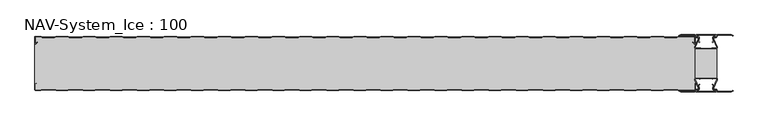
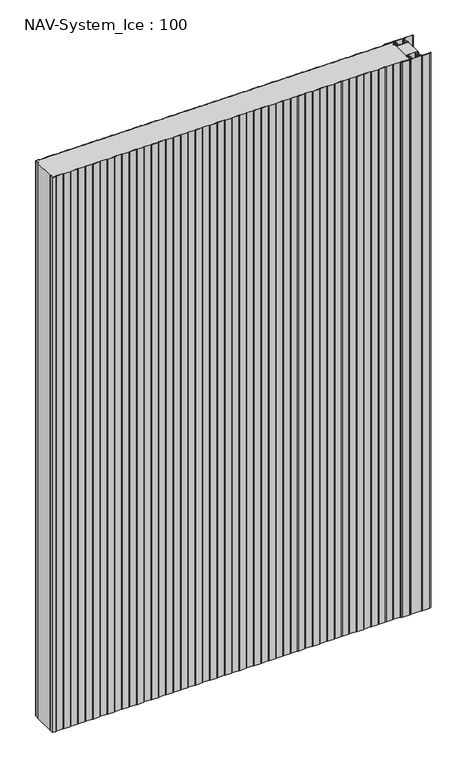
"""IFC4 building model written with IfcOpenShell, lengths in millimetres: plate geometry, NAV-System_Ice : 100."""

from ifc_helpers import new_model, si_unit, point, frame_2d, origin, origin_with_axes, place, context, project, spatial, polyline, circle_curve, trimmed, segment, composite_curve, outline, extrude, source, transform, mapped, element, save


def nav_system_ice_100_1bfda8f6(model_context):
    return source(origin(), model_context, "Body", "SweptSolid", [
        extrude(outline(polyline([(630.0, -76.9693935), (590.0, -76.9693935), (590.0, -23.0306065), (630.0, -23.0306065), (630.0, -76.9693935)])), origin_with_axes(), (0.0, 0.0, 1.0), 2000.0),
        extrude(outline(composite_curve([segment(trimmed(circle_curve(frame_2d((599.1138734, -91.8417863)), 3.357884), [point((596.1169606, -93.3563483))], [point((597.7243711, -88.7848813))], False, "CARTESIAN"), True, "CONTINUOUS"), segment(polyline([(597.7243711, -88.7848813), (598.0554135, -89.5131744)]), True, "CONTINUOUS"), segment(trimmed(circle_curve(frame_2d((599.1138734, -91.8417863)), 2.557884), [point((598.0554135, -89.5131744))], [point((596.8448746, -93.0226397))], True, "CARTESIAN"), True, "CONTINUOUS"), segment(polyline([(596.8448746, -93.0226397), (597.7376807, -95.2182139)]), True, "CONTINUOUS"), segment(trimmed(circle_curve(frame_2d((593.7962884, -96.3456266)), 4.0994674), [point((597.7376807, -95.2182139))], [point((593.7866434, -100.4450826))], False, "CARTESIAN"), True, "CONTINUOUS"), segment(polyline([(593.7866434, -100.4450826), (592.2194901, -100.4092333)]), True, "CONTINUOUS"), segment(trimmed(circle_curve(frame_2d((592.2592624, -101.3027113)), 0.8943628), [point((592.2194901, -100.4092333))], [point((592.2592624, -102.1970741))], True, "CARTESIAN"), True, "CONTINUOUS"), segment(polyline([(592.2592624, -102.1970741), (627.7407376, -102.1970741)]), True, "CONTINUOUS"), segment(trimmed(circle_curve(frame_2d((627.7407376, -101.3027113)), 0.8943628), [point((627.7407376, -102.1970741))], [point((627.7805099, -100.4092333))], True, "CARTESIAN"), True, "CONTINUOUS"), segment(polyline([(627.7805099, -100.4092333), (626.2133566, -100.4450826)]), True, "CONTINUOUS"), segment(trimmed(circle_curve(frame_2d((626.2037116, -96.3456266)), 4.0994674), [point((626.2133566, -100.4450826))], [point((622.2623193, -95.2182139))], False, "CARTESIAN"), True, "CONTINUOUS"), segment(polyline([(622.2623193, -95.2182139), (623.1551254, -93.0226397)]), True, "CONTINUOUS"), segment(trimmed(circle_curve(frame_2d((620.8861266, -91.8417863)), 2.557884), [point((623.1551254, -93.0226397))], [point((621.9445865, -89.5131744))], True, "CARTESIAN"), True, "CONTINUOUS"), segment(polyline([(621.9445865, -89.5131744), (622.2756289, -88.7848813)]), True, "CONTINUOUS"), segment(trimmed(circle_curve(frame_2d((620.8861266, -91.8417863)), 3.357884), [point((622.2756289, -88.7848813))], [point((623.8830394, -93.3563483))], False, "CARTESIAN"), True, "CONTINUOUS"), segment(polyline([(623.8830394, -93.3563483), (623.0205049, -95.4774793)]), True, "CONTINUOUS"), segment(trimmed(circle_curve(frame_2d((626.2037116, -96.3456266)), 3.2994674), [point((623.0205049, -95.4774793))], [point((626.2037116, -99.645094))], True, "CARTESIAN"), True, "CONTINUOUS"), segment(polyline([(626.2037116, -99.645094), (627.7848884, -99.6089239)]), True, "CONTINUOUS"), segment(trimmed(circle_curve(frame_2d((627.7407376, -101.3027113)), 1.6943628), [point((627.7848884, -99.6089239))], [point((627.7407423, -102.9970741))], False, "CARTESIAN"), True, "CONTINUOUS"), segment(polyline([(627.7407423, -102.9970741), (592.2592577, -102.9970741)]), True, "CONTINUOUS"), segment(trimmed(circle_curve(frame_2d((592.2592624, -101.3027113)), 1.6943628), [point((592.2592577, -102.9970741))], [point((592.2151116, -99.6089239))], False, "CARTESIAN"), True, "CONTINUOUS"), segment(polyline([(592.2151116, -99.6089239), (593.7962884, -99.645094)]), True, "CONTINUOUS"), segment(trimmed(circle_curve(frame_2d((593.7962884, -96.3456266)), 3.2994674), [point((593.7962884, -99.645094))], [point((596.9794951, -95.4774793))], True, "CARTESIAN"), True, "CONTINUOUS"), segment(polyline([(596.9794951, -95.4774793), (596.1169606, -93.3563483)]), True, "CONTINUOUS")], self_intersect=False)), origin_with_axes(), (0.0, 0.0, 1.0), 2000.0),
        extrude(outline(composite_curve([segment(polyline([(596.1169606, -6.6436517), (596.9794951, -4.5225207)]), True, "CONTINUOUS"), segment(trimmed(circle_curve(frame_2d((593.7962884, -3.6543734)), 3.2994674), [point((596.9794951, -4.5225207))], [point((593.7962884, -0.354906))], True, "CARTESIAN"), True, "CONTINUOUS"), segment(polyline([(593.7962884, -0.354906), (592.2151116, -0.3910761)]), True, "CONTINUOUS"), segment(trimmed(circle_curve(frame_2d((592.2592624, 1.3027113)), 1.6943628), [point((592.2151116, -0.3910761))], [point((592.2592577, 2.9970741))], False, "CARTESIAN"), True, "CONTINUOUS"), segment(polyline([(592.2592577, 2.9970741), (627.7407423, 2.9970741)]), True, "CONTINUOUS"), segment(trimmed(circle_curve(frame_2d((627.7407376, 1.3027113)), 1.6943628), [point((627.7407423, 2.9970741))], [point((627.7848884, -0.3910761))], False, "CARTESIAN"), True, "CONTINUOUS"), segment(polyline([(627.7848884, -0.3910761), (626.2037116, -0.354906)]), True, "CONTINUOUS"), segment(trimmed(circle_curve(frame_2d((626.2037116, -3.6543734)), 3.2994674), [point((626.2037116, -0.354906))], [point((623.0205049, -4.5225207))], True, "CARTESIAN"), True, "CONTINUOUS"), segment(polyline([(623.0205049, -4.5225207), (623.8830394, -6.6436517)]), True, "CONTINUOUS"), segment(trimmed(circle_curve(frame_2d((620.8861266, -8.1582137)), 3.357884), [point((623.8830394, -6.6436517))], [point((622.2756289, -11.2151187))], False, "CARTESIAN"), True, "CONTINUOUS"), segment(polyline([(622.2756289, -11.2151187), (621.9445865, -10.4868256)]), True, "CONTINUOUS"), segment(trimmed(circle_curve(frame_2d((620.8861266, -8.1582137)), 2.557884), [point((621.9445865, -10.4868256))], [point((623.1551254, -6.9773603))], True, "CARTESIAN"), True, "CONTINUOUS"), segment(polyline([(623.1551254, -6.9773603), (622.2623193, -4.7817861)]), True, "CONTINUOUS"), segment(trimmed(circle_curve(frame_2d((626.2037116, -3.6543734)), 4.0994674), [point((622.2623193, -4.7817861))], [point((626.2133566, 0.4450826))], False, "CARTESIAN"), True, "CONTINUOUS"), segment(polyline([(626.2133566, 0.4450826), (627.7805099, 0.4092333)]), True, "CONTINUOUS"), segment(trimmed(circle_curve(frame_2d((627.7407376, 1.3027113)), 0.8943628), [point((627.7805099, 0.4092333))], [point((627.7407376, 2.1970741))], True, "CARTESIAN"), True, "CONTINUOUS"), segment(polyline([(627.7407376, 2.1970741), (592.2592624, 2.1970741)]), True, "CONTINUOUS"), segment(trimmed(circle_curve(frame_2d((592.2592624, 1.3027113)), 0.8943628), [point((592.2592624, 2.1970741))], [point((592.2194901, 0.4092333))], True, "CARTESIAN"), True, "CONTINUOUS"), segment(polyline([(592.2194901, 0.4092333), (593.7866434, 0.4450826)]), True, "CONTINUOUS"), segment(trimmed(circle_curve(frame_2d((593.7962884, -3.6543734)), 4.0994674), [point((593.7866434, 0.4450826))], [point((597.7376807, -4.7817861))], False, "CARTESIAN"), True, "CONTINUOUS"), segment(polyline([(597.7376807, -4.7817861), (596.8448746, -6.9773603)]), True, "CONTINUOUS"), segment(trimmed(circle_curve(frame_2d((599.1138734, -8.1582137)), 2.557884), [point((596.8448746, -6.9773603))], [point((598.0554135, -10.4868256))], True, "CARTESIAN"), True, "CONTINUOUS"), segment(polyline([(598.0554135, -10.4868256), (597.7243711, -11.2151187)]), True, "CONTINUOUS"), segment(trimmed(circle_curve(frame_2d((599.1138734, -8.1582137)), 3.357884), [point((597.7243711, -11.2151187))], [point((596.1169606, -6.6436517))], False, "CARTESIAN"), True, "CONTINUOUS")], self_intersect=False)), origin_with_axes(), (0.0, 0.0, 1.0), 2000.0),
        extrude(outline(composite_curve([segment(trimmed(circle_curve(frame_2d((591.9446371, -79.7746821)), 1.80576), [point((591.9446371, -77.9689221))], [point((590.2170288, -80.300171))], True, "CARTESIAN"), True, "CONTINUOUS"), segment(polyline([(590.2170288, -80.300171), (596.4690067, -94.9459892)]), True, "CONTINUOUS"), segment(trimmed(circle_curve(frame_2d((593.7254406, -95.9868127)), 2.93436), [point((596.4690067, -94.9459892))], [point((593.7254406, -98.9211727))], False, "CARTESIAN"), True, "CONTINUOUS"), segment(polyline([(593.7254406, -98.9211727), (592.1347887, -98.9211727)]), True, "CONTINUOUS"), segment(trimmed(circle_curve(frame_2d((592.1347887, -100.5012127)), 1.58004), [point((592.1347887, -98.9211727))], [point((590.931072, -99.4776931))], True, "CARTESIAN"), True, "CONTINUOUS"), segment(polyline([(590.931072, -99.4776931), (589.0191946, -103.0112573), (562.9417977, -103.0112573), (560.0, -101.2043676), (560.523373, -100.3522639), (563.2243806, -102.0112573), (588.4232658, -102.0112573), (590.0952671, -98.9210361)]), True, "CONTINUOUS"), segment(trimmed(circle_curve(frame_2d((592.1347887, -100.5012127)), 2.58004), [point((590.0952671, -98.9210361))], [point((592.1347887, -97.9211727))], False, "CARTESIAN"), True, "CONTINUOUS"), segment(polyline([(592.1347887, -97.9211727), (593.7254406, -97.9211727)]), True, "CONTINUOUS"), segment(trimmed(circle_curve(frame_2d((593.7254406, -95.9868127)), 1.93436), [point((593.7254406, -97.9211727))], [point((595.5404425, -95.3178459))], True, "CARTESIAN"), True, "CONTINUOUS"), segment(polyline([(595.5404425, -95.3178459), (589.2784311, -80.6484726)]), True, "CONTINUOUS"), segment(trimmed(circle_curve(frame_2d((591.9446225, -79.7747413)), 2.8057055), [point((589.2784311, -80.6484726))], [point((591.9446225, -76.9690357))], False, "CARTESIAN"), True, "CONTINUOUS"), segment(polyline([(591.9446225, -76.9690357), (595.755568, -76.9690357)]), True, "CONTINUOUS"), segment(trimmed(circle_curve(frame_2d((595.7555679, -79.0975873)), 2.1285516), [point((595.755568, -76.9690357))], [point((597.1042828, -77.4508633))], False, "CARTESIAN"), True, "CONTINUOUS"), segment(trimmed(circle_curve(frame_2d((598.2552034, -76.0456377)), 1.8163913), [point((597.1042828, -77.4508633))], [point((599.4059468, -77.4510085))], True, "CARTESIAN"), True, "CONTINUOUS"), segment(trimmed(circle_curve(frame_2d((600.7543352, -79.0977575)), 2.128364), [point((599.4059468, -77.4510085))], [point((600.7543352, -76.9693935))], False, "CARTESIAN"), True, "CONTINUOUS"), segment(polyline([(600.7543352, -76.9693935), (619.2454674, -76.9693935)]), True, "CONTINUOUS"), segment(trimmed(circle_curve(frame_2d((619.2454674, -79.0977884)), 2.1283949), [point((619.2454674, -76.9693935))], [point((620.594293, -77.4513576))], False, "CARTESIAN"), True, "CONTINUOUS"), segment(trimmed(circle_curve(frame_2d((621.7456338, -76.0459847)), 1.8167715), [point((620.594293, -77.4513576))], [point((622.8963798, -77.4518446))], True, "CARTESIAN"), True, "CONTINUOUS"), segment(trimmed(circle_curve(frame_2d((624.244105, -79.0983528)), 2.1277576), [point((622.8963798, -77.4518446))], [point((624.244105, -76.9705952))], False, "CARTESIAN"), True, "CONTINUOUS"), segment(polyline([(624.244105, -76.9705952), (628.0535675, -76.9705952)]), True, "CONTINUOUS"), segment(trimmed(circle_curve(frame_2d((628.0535675, -79.7787791)), 2.8081839), [point((628.0535675, -76.9705952))], [point((630.7287795, -80.6326746))], False, "CARTESIAN"), True, "CONTINUOUS"), segment(polyline([(630.7287795, -80.6326746), (624.4595575, -95.3178459)]), True, "CONTINUOUS"), segment(trimmed(circle_curve(frame_2d((626.2745595, -95.9868127)), 1.93436), [point((624.4595575, -95.3178459))], [point((626.2745595, -97.9211727))], True, "CARTESIAN"), True, "CONTINUOUS"), segment(polyline([(626.2745595, -97.9211727), (627.8652113, -97.9211727)]), True, "CONTINUOUS"), segment(trimmed(circle_curve(frame_2d((627.8652113, -100.5012127)), 2.58004), [point((627.8652113, -97.9211727))], [point((629.9047329, -98.9210361))], False, "CARTESIAN"), True, "CONTINUOUS"), segment(polyline([(629.9047329, -98.9210361), (631.5767342, -102.0112573), (656.7756194, -102.0112573), (659.476627, -100.3522639), (660.0, -101.2043676), (657.0582024, -103.0112573), (630.9808054, -103.0112573), (629.068928, -99.4776931)]), True, "CONTINUOUS"), segment(trimmed(circle_curve(frame_2d((627.8652113, -100.5012127)), 1.58004), [point((629.068928, -99.4776931))], [point((627.8652113, -98.9211727))], True, "CARTESIAN"), True, "CONTINUOUS"), segment(polyline([(627.8652113, -98.9211727), (626.2745595, -98.9211727)]), True, "CONTINUOUS"), segment(trimmed(circle_curve(frame_2d((626.2745595, -95.9868127)), 2.93436), [point((626.2745595, -98.9211727))], [point((623.5309933, -94.9459892))], False, "CARTESIAN"), True, "CONTINUOUS"), segment(polyline([(623.5309933, -94.9459892), (629.7829713, -80.300171)]), True, "CONTINUOUS"), segment(trimmed(circle_curve(frame_2d((628.0553629, -79.7746822)), 1.80576), [point((629.7829713, -80.300171))], [point((628.0553629, -77.9689222))], True, "CARTESIAN"), True, "CONTINUOUS"), segment(polyline([(628.0553629, -77.9689222), (623.5184731, -77.9689222)]), True, "CONTINUOUS"), segment(trimmed(circle_curve(frame_2d((621.7449981, -76.0455076)), 2.6162449), [point((623.5184731, -77.9689222))], [point((619.7766029, -77.7689222))], False, "CARTESIAN"), True, "CONTINUOUS"), segment(polyline([(619.7766029, -77.7689222), (600.2233971, -77.7689222)]), True, "CONTINUOUS"), segment(trimmed(circle_curve(frame_2d((598.255002, -76.0455076)), 2.6162449), [point((600.2233971, -77.7689222))], [point((596.4815269, -77.9689221))], False, "CARTESIAN"), True, "CONTINUOUS"), segment(polyline([(596.4815269, -77.9689221), (591.9446371, -77.9689221)]), True, "CONTINUOUS")], self_intersect=False)), origin_with_axes(), (0.0, 0.0, 1.0), 2000.0),
        extrude(outline(composite_curve([segment(polyline([(591.9446371, -22.0310778), (596.4815269, -22.0310778)]), True, "CONTINUOUS"), segment(trimmed(circle_curve(frame_2d((598.2550019, -23.9544924)), 2.6162449), [point((596.4815269, -22.0310778))], [point((600.2233971, -22.2310778))], False, "CARTESIAN"), True, "CONTINUOUS"), segment(polyline([(600.2233971, -22.2310778), (619.7766029, -22.2310778)]), True, "CONTINUOUS"), segment(trimmed(circle_curve(frame_2d((621.7449981, -23.9544924)), 2.6162449), [point((619.7766029, -22.2310778))], [point((623.5184731, -22.0310778))], False, "CARTESIAN"), True, "CONTINUOUS"), segment(polyline([(623.5184731, -22.0310778), (628.0553629, -22.0310778)]), True, "CONTINUOUS"), segment(trimmed(circle_curve(frame_2d((628.0553629, -20.2253178)), 1.80576), [point((628.0553629, -22.0310778))], [point((629.7829712, -19.699829))], True, "CARTESIAN"), True, "CONTINUOUS"), segment(polyline([(629.7829712, -19.699829), (623.5309933, -5.0540108)]), True, "CONTINUOUS"), segment(trimmed(circle_curve(frame_2d((626.2745594, -4.0131873)), 2.93436), [point((623.5309933, -5.0540108))], [point((626.2745594, -1.0788273))], False, "CARTESIAN"), True, "CONTINUOUS"), segment(polyline([(626.2745594, -1.0788273), (627.8652113, -1.0788273)]), True, "CONTINUOUS"), segment(trimmed(circle_curve(frame_2d((627.8652113, 0.5012127)), 1.58004), [point((627.8652113, -1.0788273))], [point((629.068928, -0.5223069))], True, "CARTESIAN"), True, "CONTINUOUS"), segment(polyline([(629.068928, -0.5223069), (630.9808054, 3.0112573), (657.0582023, 3.0112573), (660.0, 1.2043676), (659.476627, 0.3522639), (656.7756194, 2.0112573), (631.5767342, 2.0112573), (629.9047329, -1.0789639)]), True, "CONTINUOUS"), segment(trimmed(circle_curve(frame_2d((627.8652113, 0.5012127)), 2.58004), [point((629.9047329, -1.0789639))], [point((627.8652113, -2.0788273))], False, "CARTESIAN"), True, "CONTINUOUS"), segment(polyline([(627.8652113, -2.0788273), (626.2745594, -2.0788273)]), True, "CONTINUOUS"), segment(trimmed(circle_curve(frame_2d((626.2745594, -4.0131873)), 1.93436), [point((626.2745594, -2.0788273))], [point((624.4595575, -4.6821541))], True, "CARTESIAN"), True, "CONTINUOUS"), segment(polyline([(624.4595575, -4.6821541), (630.7287795, -19.3673254)]), True, "CONTINUOUS"), segment(trimmed(circle_curve(frame_2d((628.0535675, -20.2212209)), 2.8081839), [point((630.7287795, -19.3673254))], [point((628.0535675, -23.0294048))], False, "CARTESIAN"), True, "CONTINUOUS"), segment(polyline([(628.0535675, -23.0294048), (624.244105, -23.0294048)]), True, "CONTINUOUS"), segment(trimmed(circle_curve(frame_2d((624.244105, -20.9016472)), 2.1277576), [point((624.244105, -23.0294048))], [point((622.8963798, -22.5481554))], False, "CARTESIAN"), True, "CONTINUOUS"), segment(trimmed(circle_curve(frame_2d((621.7456337, -23.9540153)), 1.8167716), [point((622.8963798, -22.5481554))], [point((620.5942929, -22.5486423))], True, "CARTESIAN"), True, "CONTINUOUS"), segment(trimmed(circle_curve(frame_2d((619.2454674, -20.9022116)), 2.1283949), [point((620.5942929, -22.5486423))], [point((619.2454674, -23.0306065))], False, "CARTESIAN"), True, "CONTINUOUS"), segment(polyline([(619.2454674, -23.0306065), (600.7543352, -23.0306065)]), True, "CONTINUOUS"), segment(trimmed(circle_curve(frame_2d((600.7543352, -20.9022425)), 2.128364), [point((600.7543352, -23.0306065))], [point((599.4059468, -22.5489915))], False, "CARTESIAN"), True, "CONTINUOUS"), segment(trimmed(circle_curve(frame_2d((598.2552034, -23.9543623)), 1.8163912), [point((599.4059468, -22.5489915))], [point((597.1042828, -22.5491367))], True, "CARTESIAN"), True, "CONTINUOUS"), segment(trimmed(circle_curve(frame_2d((595.7555679, -20.9024127)), 2.1285516), [point((597.1042828, -22.5491367))], [point((595.7555679, -23.0309643))], False, "CARTESIAN"), True, "CONTINUOUS"), segment(polyline([(595.7555679, -23.0309643), (591.9446225, -23.0309643)]), True, "CONTINUOUS"), segment(trimmed(circle_curve(frame_2d((591.9446225, -20.2252587)), 2.8057055), [point((591.9446225, -23.0309643))], [point((589.2784311, -19.3515274))], False, "CARTESIAN"), True, "CONTINUOUS"), segment(polyline([(589.2784311, -19.3515274), (595.5404425, -4.6821541)]), True, "CONTINUOUS"), segment(trimmed(circle_curve(frame_2d((593.7254406, -4.0131873)), 1.93436), [point((595.5404425, -4.6821541))], [point((593.7254406, -2.0788273))], True, "CARTESIAN"), True, "CONTINUOUS"), segment(polyline([(593.7254406, -2.0788273), (592.1347887, -2.0788273)]), True, "CONTINUOUS"), segment(trimmed(circle_curve(frame_2d((592.1347887, 0.5012127)), 2.58004), [point((592.1347887, -2.0788273))], [point((590.0952671, -1.0789639))], False, "CARTESIAN"), True, "CONTINUOUS"), segment(polyline([(590.0952671, -1.0789639), (588.4232658, 2.0112573), (563.2243806, 2.0112573), (560.523373, 0.3522639), (560.0, 1.2043676), (562.9417977, 3.0112573), (589.0191946, 3.0112573), (590.931072, -0.5223069)]), True, "CONTINUOUS"), segment(trimmed(circle_curve(frame_2d((592.1347887, 0.5012127)), 1.58004), [point((590.931072, -0.5223069))], [point((592.1347887, -1.0788273))], True, "CARTESIAN"), True, "CONTINUOUS"), segment(polyline([(592.1347887, -1.0788273), (593.7254406, -1.0788273)]), True, "CONTINUOUS"), segment(trimmed(circle_curve(frame_2d((593.7254406, -4.0131873)), 2.93436), [point((593.7254406, -1.0788273))], [point((596.4690067, -5.0540108))], False, "CARTESIAN"), True, "CONTINUOUS"), segment(polyline([(596.4690067, -5.0540108), (590.2170288, -19.699829)]), True, "CONTINUOUS"), segment(trimmed(circle_curve(frame_2d((591.9446371, -20.2253178)), 1.80576), [point((590.2170288, -19.699829))], [point((591.9446371, -22.0310778))], True, "CARTESIAN"), True, "CONTINUOUS")], self_intersect=False)), origin_with_axes(), (0.0, 0.0, 1.0), 2000.0),
        extrude(outline(composite_curve([segment(polyline([(559.1298221, -0.8), (556.1298221, -1.8), (533.8701779, -1.8), (530.8701779, -0.8), (509.1298221, -0.8), (506.1298221, -1.8), (483.8701779, -1.8), (480.8701779, -0.8), (459.1298221, -0.8), (456.1298221, -1.8), (433.8701779, -1.8), (430.8701779, -0.8), (409.1298221, -0.8), (406.1298221, -1.8), (383.8701779, -1.8), (380.8701779, -0.8), (359.1298221, -0.8), (356.1298221, -1.8), (333.8701779, -1.8), (330.8701779, -0.8), (309.1298221, -0.8), (306.1298221, -1.8), (283.8701779, -1.8), (280.8701779, -0.8), (259.1298221, -0.8), (256.1298221, -1.8), (233.8701779, -1.8), (230.8701779, -0.8), (209.1298221, -0.8), (206.1298221, -1.8), (183.8701779, -1.8), (180.8701779, -0.8), (159.1298221, -0.8), (156.1298221, -1.8), (133.8701779, -1.8), (130.8701779, -0.8), (109.1298221, -0.8), (106.1298221, -1.8), (83.8701779, -1.8), (80.8701779, -0.8), (59.1298221, -0.8), (56.1298221, -1.8), (33.8701779, -1.8), (30.8701779, -0.8), (9.1298221, -0.8), (6.1298221, -1.8), (-16.1298221, -1.8), (-19.1298221, -0.8), (-40.8701779, -0.8), (-43.8701779, -1.8), (-66.1298221, -1.8), (-69.1298221, -0.8), (-90.8701779, -0.8), (-93.8701779, -1.8), (-116.1298221, -1.8), (-119.1298221, -0.8), (-140.8701779, -0.8), (-143.8701779, -1.8), (-166.1298221, -1.8), (-169.1298221, -0.8), (-190.8701779, -0.8), (-193.8701779, -1.8), (-216.1298221, -1.8), (-219.1298221, -0.8), (-240.8701779, -0.8), (-243.8701779, -1.8), (-266.1298221, -1.8), (-269.1298221, -0.8), (-290.8701779, -0.8), (-293.8701779, -1.8), (-316.1298221, -1.8), (-319.1298221, -0.8), (-340.8701779, -0.8), (-343.8701779, -1.8), (-366.1298221, -1.8), (-369.1298221, -0.8), (-390.8701779, -0.8), (-393.8701779, -1.8), (-416.1298221, -1.8), (-419.1298221, -0.8), (-440.8701779, -0.8), (-443.8701779, -1.8), (-466.1298221, -1.8), (-469.1298221, -0.8), (-490.8701779, -0.8), (-493.8701779, -1.8), (-516.1298221, -1.8), (-519.1298221, -0.8), (-540.8701779, -0.8), (-543.8701779, -1.8), (-566.1298221, -1.8), (-569.1298221, -0.8), (-590.8701779, -0.8), (-593.8701779, -1.8), (-616.1298221, -1.8), (-619.1298221, -0.8), (-628.7, -0.8)]), True, "CONTINUOUS"), segment(trimmed(circle_curve(frame_2d((-628.7, -1.3)), 0.5), [point((-628.7, -0.8))], [point((-629.2, -1.3))], True, "CARTESIAN"), True, "CONTINUOUS"), segment(polyline([(-629.2, -1.3), (-629.2, -12.5857864)]), True, "CONTINUOUS"), segment(trimmed(circle_curve(frame_2d((-628.7, -12.5857864)), 0.5), [point((-629.2, -12.5857864))], [point((-628.3464466, -12.9393398))], True, "CARTESIAN"), True, "CONTINUOUS"), segment(polyline([(-628.3464466, -12.9393398), (-625.9205321, -10.5134253), (-625.3548467, -11.0791108), (-627.7807612, -13.5050253)]), True, "CONTINUOUS"), segment(trimmed(circle_curve(frame_2d((-628.7, -12.5857864)), 1.3), [point((-627.7807612, -13.5050253))], [point((-630.0, -12.5857864))], False, "CARTESIAN"), True, "CONTINUOUS"), segment(polyline([(-630.0, -12.5857864), (-630.0, -1.3)]), True, "CONTINUOUS"), segment(trimmed(circle_curve(frame_2d((-628.7, -1.3)), 1.3), [point((-630.0, -1.3))], [point((-628.7, 0.0))], False, "CARTESIAN"), True, "CONTINUOUS"), segment(polyline([(-628.7, 0.0), (-619.0, 0.0), (-616.0, -1.0), (-594.0, -1.0), (-591.0, 0.0), (-569.0, 0.0), (-566.0, -1.0), (-544.0, -1.0), (-541.0, 0.0), (-519.0, 0.0), (-516.0, -1.0), (-494.0, -1.0), (-491.0, 0.0), (-469.0, 0.0), (-466.0, -1.0), (-444.0, -1.0), (-441.0, 0.0), (-419.0, 0.0), (-416.0, -1.0), (-394.0, -1.0), (-391.0, 0.0), (-369.0, 0.0), (-366.0, -1.0), (-344.0, -1.0), (-341.0, 0.0), (-319.0, 0.0), (-316.0, -1.0), (-294.0, -1.0), (-291.0, 0.0), (-269.0, 0.0), (-266.0, -1.0), (-244.0, -1.0), (-241.0, 0.0), (-219.0, 0.0), (-216.0, -1.0), (-194.0, -1.0), (-191.0, 0.0), (-169.0, 0.0), (-166.0, -1.0), (-144.0, -1.0), (-141.0, 0.0), (-119.0, 0.0), (-116.0, -1.0), (-94.0, -1.0), (-91.0, 0.0), (-69.0, 0.0), (-66.0, -1.0), (-44.0, -1.0), (-41.0, 0.0), (-19.0, 0.0), (-16.0, -1.0), (6.0, -1.0), (9.0, 0.0), (31.0, 0.0), (34.0, -1.0), (56.0, -1.0), (59.0, 0.0), (81.0, 0.0), (84.0, -1.0), (106.0, -1.0), (109.0, 0.0), (131.0, 0.0), (134.0, -1.0), (156.0, -1.0), (159.0, 0.0), (181.0, 0.0), (184.0, -1.0), (206.0, -1.0), (209.0, 0.0), (231.0, 0.0), (234.0, -1.0), (256.0, -1.0), (259.0, 0.0), (281.0, 0.0), (284.0, -1.0), (306.0, -1.0), (309.0, 0.0), (331.0, 0.0), (334.0, -1.0), (356.0, -1.0), (359.0, 0.0), (381.0, 0.0), (384.0, -1.0), (406.0, -1.0), (409.0, 0.0), (431.0, 0.0), (434.0, -1.0), (456.0, -1.0), (459.0, 0.0), (481.0, 0.0), (484.0, -1.0), (506.0, -1.0), (509.0, 0.0), (531.0, 0.0), (534.0, -1.0), (556.0, -1.0), (559.0, 0.0), (588.7, 0.0)]), True, "CONTINUOUS"), segment(trimmed(circle_curve(frame_2d((588.7, -1.3)), 1.3), [point((588.7, 0.0))], [point((590.0, -1.3))], False, "CARTESIAN"), True, "CONTINUOUS"), segment(polyline([(590.0, -1.3), (590.0, -12.5857864)]), True, "CONTINUOUS"), segment(trimmed(circle_curve(frame_2d((588.7, -12.5857864)), 1.3), [point((590.0, -12.5857864))], [point((587.7807612, -13.5050253))], False, "CARTESIAN"), True, "CONTINUOUS"), segment(polyline([(587.7807612, -13.5050253), (585.3548467, -11.0791108), (585.9205321, -10.5134253), (588.3464466, -12.9393398)]), True, "CONTINUOUS"), segment(trimmed(circle_curve(frame_2d((588.7, -12.5857864)), 0.5), [point((588.3464466, -12.9393398))], [point((589.2, -12.5857864))], True, "CARTESIAN"), True, "CONTINUOUS"), segment(polyline([(589.2, -12.5857864), (589.2, -1.3)]), True, "CONTINUOUS"), segment(trimmed(circle_curve(frame_2d((588.7, -1.3)), 0.5), [point((589.2, -1.3))], [point((588.7, -0.8))], True, "CARTESIAN"), True, "CONTINUOUS"), segment(polyline([(588.7, -0.8), (559.1298221, -0.8)]), True, "CONTINUOUS")], self_intersect=False)), origin_with_axes(), (0.0, 0.0, 1.0), 2000.0),
        extrude(outline(composite_curve([segment(polyline([(559.1298221, -0.8), (588.7, -0.8)]), True, "CONTINUOUS"), segment(trimmed(circle_curve(frame_2d((588.7, -1.3)), 0.5), [point((588.7, -0.8))], [point((589.2, -1.3))], False, "CARTESIAN"), True, "CONTINUOUS"), segment(polyline([(589.2, -1.3), (589.2, -12.5857864)]), True, "CONTINUOUS"), segment(trimmed(circle_curve(frame_2d((588.7, -12.5857864)), 0.5), [point((589.2, -12.5857864))], [point((588.3464466, -12.9393398))], False, "CARTESIAN"), True, "CONTINUOUS"), segment(polyline([(588.3464466, -12.9393398), (585.9205321, -10.5134253), (585.3548467, -11.0791108), (587.7807612, -13.5050253)]), True, "CONTINUOUS"), segment(trimmed(circle_curve(frame_2d((588.7, -12.5857864)), 1.3), [point((587.7807612, -13.5050253))], [point((588.7, -13.8857864))], True, "CARTESIAN"), True, "CONTINUOUS"), segment(polyline([(588.7, -13.8857864), (590.0, -13.8857864), (590.0, -86.1142136), (588.7, -86.1142136)]), True, "CONTINUOUS"), segment(trimmed(circle_curve(frame_2d((588.7, -87.4142136)), 1.3), [point((588.7, -86.1142136))], [point((587.7807612, -86.4949747))], True, "CARTESIAN"), True, "CONTINUOUS"), segment(polyline([(587.7807612, -86.4949747), (585.3548467, -88.9208892), (585.9205321, -89.4865747), (588.3464466, -87.0606602)]), True, "CONTINUOUS"), segment(trimmed(circle_curve(frame_2d((588.7, -87.4142136)), 0.5), [point((588.3464466, -87.0606602))], [point((589.2, -87.4142136))], False, "CARTESIAN"), True, "CONTINUOUS"), segment(polyline([(589.2, -87.4142136), (589.2, -98.7)]), True, "CONTINUOUS"), segment(trimmed(circle_curve(frame_2d((588.7, -98.7)), 0.5), [point((589.2, -98.7))], [point((588.7, -99.2))], False, "CARTESIAN"), True, "CONTINUOUS"), segment(polyline([(588.7, -99.2), (559.1298221, -99.2), (556.1298221, -98.2), (533.8701779, -98.2), (530.8701779, -99.2), (509.1298221, -99.2), (506.1298221, -98.2), (483.8701779, -98.2), (480.8701779, -99.2), (459.1298221, -99.2), (456.1298221, -98.2), (433.8701779, -98.2), (430.8701779, -99.2), (409.1298221, -99.2), (406.1298221, -98.2), (383.8701779, -98.2), (380.8701779, -99.2), (359.1298221, -99.2), (356.1298221, -98.2), (333.8701779, -98.2), (330.8701779, -99.2), (309.1298221, -99.2), (306.1298221, -98.2), (283.8701779, -98.2), (280.8701779, -99.2), (259.1298221, -99.2), (256.1298221, -98.2), (233.8701779, -98.2), (230.8701779, -99.2), (209.1298221, -99.2), (206.1298221, -98.2), (183.8701779, -98.2), (180.8701779, -99.2), (159.1298221, -99.2), (156.1298221, -98.2), (133.8701779, -98.2), (130.8701779, -99.2), (109.1298221, -99.2), (106.1298221, -98.2), (83.8701779, -98.2), (80.8701779, -99.2), (59.1298221, -99.2), (56.1298221, -98.2), (33.8701779, -98.2), (30.8701779, -99.2), (9.1298221, -99.2), (6.1298221, -98.2), (-16.1298221, -98.2), (-19.1298221, -99.2), (-40.8701779, -99.2), (-43.8701779, -98.2), (-66.1298221, -98.2), (-69.1298221, -99.2), (-90.8701779, -99.2), (-93.8701779, -98.2), (-116.1298221, -98.2), (-119.1298221, -99.2), (-140.8701779, -99.2), (-143.8701779, -98.2), (-166.1298221, -98.2), (-169.1298221, -99.2), (-190.8701779, -99.2), (-193.8701779, -98.2), (-216.1298221, -98.2), (-219.1298221, -99.2), (-240.8701779, -99.2), (-243.8701779, -98.2), (-266.1298221, -98.2), (-269.1298221, -99.2), (-290.8701779, -99.2), (-293.8701779, -98.2), (-316.1298221, -98.2), (-319.1298221, -99.2), (-340.8701779, -99.2), (-343.8701779, -98.2), (-366.1298221, -98.2), (-369.1298221, -99.2), (-390.8701779, -99.2), (-393.8701779, -98.2), (-416.1298221, -98.2), (-419.1298221, -99.2), (-440.8701779, -99.2), (-443.8701779, -98.2), (-466.1298221, -98.2), (-469.1298221, -99.2), (-490.8701779, -99.2), (-493.8701779, -98.2), (-516.1298221, -98.2), (-519.1298221, -99.2), (-540.8701779, -99.2), (-543.8701779, -98.2), (-566.1298221, -98.2), (-569.1298221, -99.2), (-590.8701779, -99.2), (-593.8701779, -98.2), (-616.1298221, -98.2), (-619.1298221, -99.2), (-628.7, -99.2)]), True, "CONTINUOUS"), segment(trimmed(circle_curve(frame_2d((-628.7, -98.7)), 0.5), [point((-628.7, -99.2))], [point((-629.2, -98.7))], False, "CARTESIAN"), True, "CONTINUOUS"), segment(polyline([(-629.2, -98.7), (-629.2, -87.4142136)]), True, "CONTINUOUS"), segment(trimmed(circle_curve(frame_2d((-628.7, -87.4142136)), 0.5), [point((-629.2, -87.4142136))], [point((-628.3464466, -87.0606602))], False, "CARTESIAN"), True, "CONTINUOUS"), segment(polyline([(-628.3464466, -87.0606602), (-625.9205321, -89.4865747), (-625.3548467, -88.9208892), (-627.7807612, -86.4949747)]), True, "CONTINUOUS"), segment(trimmed(circle_curve(frame_2d((-628.7, -87.4142136)), 1.3), [point((-627.7807612, -86.4949747))], [point((-628.7, -86.1142136))], True, "CARTESIAN"), True, "CONTINUOUS"), segment(polyline([(-628.7, -86.1142136), (-630.0, -86.1142136), (-630.0, -13.8857864), (-628.7, -13.8857864)]), True, "CONTINUOUS"), segment(trimmed(circle_curve(frame_2d((-628.7, -12.5857864)), 1.3), [point((-628.7, -13.8857864))], [point((-627.7807612, -13.5050253))], True, "CARTESIAN"), True, "CONTINUOUS"), segment(polyline([(-627.7807612, -13.5050253), (-625.3548467, -11.0791108), (-625.9205321, -10.5134253), (-628.3464466, -12.9393398)]), True, "CONTINUOUS"), segment(trimmed(circle_curve(frame_2d((-628.7, -12.5857864)), 0.5), [point((-628.3464466, -12.9393398))], [point((-629.2, -12.5857864))], False, "CARTESIAN"), True, "CONTINUOUS"), segment(polyline([(-629.2, -12.5857864), (-629.2, -1.3)]), True, "CONTINUOUS"), segment(trimmed(circle_curve(frame_2d((-628.7, -1.3)), 0.5), [point((-629.2, -1.3))], [point((-628.7, -0.8))], False, "CARTESIAN"), True, "CONTINUOUS"), segment(polyline([(-628.7, -0.8), (-619.1298221, -0.8), (-616.1298221, -1.8), (-593.8701779, -1.8), (-590.8701779, -0.8), (-569.1298221, -0.8), (-566.1298221, -1.8), (-543.8701779, -1.8), (-540.8701779, -0.8), (-519.1298221, -0.8), (-516.1298221, -1.8), (-493.8701779, -1.8), (-490.8701779, -0.8), (-469.1298221, -0.8), (-466.1298221, -1.8), (-443.8701779, -1.8), (-440.8701779, -0.8), (-419.1298221, -0.8), (-416.1298221, -1.8), (-393.8701779, -1.8), (-390.8701779, -0.8), (-369.1298221, -0.8), (-366.1298221, -1.8), (-343.8701779, -1.8), (-340.8701779, -0.8), (-319.1298221, -0.8), (-316.1298221, -1.8), (-293.8701779, -1.8), (-290.8701779, -0.8), (-269.1298221, -0.8), (-266.1298221, -1.8), (-243.8701779, -1.8), (-240.8701779, -0.8), (-219.1298221, -0.8), (-216.1298221, -1.8), (-193.8701779, -1.8), (-190.8701779, -0.8), (-169.1298221, -0.8), (-166.1298221, -1.8), (-143.8701779, -1.8), (-140.8701779, -0.8), (-119.1298221, -0.8), (-116.1298221, -1.8), (-93.8701779, -1.8), (-90.8701779, -0.8), (-69.1298221, -0.8), (-66.1298221, -1.8), (-43.8701779, -1.8), (-40.8701779, -0.8), (-19.1298221, -0.8), (-16.1298221, -1.8), (6.1298221, -1.8), (9.1298221, -0.8), (30.8701779, -0.8), (33.8701779, -1.8), (56.1298221, -1.8), (59.1298221, -0.8), (80.8701779, -0.8), (83.8701779, -1.8), (106.1298221, -1.8), (109.1298221, -0.8), (130.8701779, -0.8), (133.8701779, -1.8), (156.1298221, -1.8), (159.1298221, -0.8), (180.8701779, -0.8), (183.8701779, -1.8), (206.1298221, -1.8), (209.1298221, -0.8), (230.8701779, -0.8), (233.8701779, -1.8), (256.1298221, -1.8), (259.1298221, -0.8), (280.8701779, -0.8), (283.8701779, -1.8), (306.1298221, -1.8), (309.1298221, -0.8), (330.8701779, -0.8), (333.8701779, -1.8), (356.1298221, -1.8), (359.1298221, -0.8), (380.8701779, -0.8), (383.8701779, -1.8), (406.1298221, -1.8), (409.1298221, -0.8), (430.8701779, -0.8), (433.8701779, -1.8), (456.1298221, -1.8), (459.1298221, -0.8), (480.8701779, -0.8), (483.8701779, -1.8), (506.1298221, -1.8), (509.1298221, -0.8), (530.8701779, -0.8), (533.8701779, -1.8), (556.1298221, -1.8), (559.1298221, -0.8)]), True, "CONTINUOUS")], self_intersect=False)), origin_with_axes(), (0.0, 0.0, 1.0), 2000.0),
        extrude(outline(composite_curve([segment(polyline([(559.1298221, -99.2), (588.7, -99.2)]), True, "CONTINUOUS"), segment(trimmed(circle_curve(frame_2d((588.7, -98.7)), 0.5), [point((588.7, -99.2))], [point((589.2, -98.7))], True, "CARTESIAN"), True, "CONTINUOUS"), segment(polyline([(589.2, -98.7), (589.2, -87.4142136)]), True, "CONTINUOUS"), segment(trimmed(circle_curve(frame_2d((588.7, -87.4142136)), 0.5), [point((589.2, -87.4142136))], [point((588.3464466, -87.0606602))], True, "CARTESIAN"), True, "CONTINUOUS"), segment(polyline([(588.3464466, -87.0606602), (585.9205321, -89.4865747), (585.3548467, -88.9208892), (587.7807612, -86.4949747)]), True, "CONTINUOUS"), segment(trimmed(circle_curve(frame_2d((588.7, -87.4142136)), 1.3), [point((587.7807612, -86.4949747))], [point((590.0, -87.4142136))], False, "CARTESIAN"), True, "CONTINUOUS"), segment(polyline([(590.0, -87.4142136), (590.0, -98.7)]), True, "CONTINUOUS"), segment(trimmed(circle_curve(frame_2d((588.7, -98.7)), 1.3), [point((590.0, -98.7))], [point((588.7, -100.0))], False, "CARTESIAN"), True, "CONTINUOUS"), segment(polyline([(588.7, -100.0), (559.0, -100.0), (556.0, -99.0), (534.0, -99.0), (531.0, -100.0), (509.0, -100.0), (506.0, -99.0), (484.0, -99.0), (481.0, -100.0), (459.0, -100.0), (456.0, -99.0), (434.0, -99.0), (431.0, -100.0), (409.0, -100.0), (406.0, -99.0), (384.0, -99.0), (381.0, -100.0), (359.0, -100.0), (356.0, -99.0), (334.0, -99.0), (331.0, -100.0), (309.0, -100.0), (306.0, -99.0), (284.0, -99.0), (281.0, -100.0), (259.0, -100.0), (256.0, -99.0), (234.0, -99.0), (231.0, -100.0), (209.0, -100.0), (206.0, -99.0), (184.0, -99.0), (181.0, -100.0), (159.0, -100.0), (156.0, -99.0), (134.0, -99.0), (131.0, -100.0), (109.0, -100.0), (106.0, -99.0), (84.0, -99.0), (81.0, -100.0), (59.0, -100.0), (56.0, -99.0), (34.0, -99.0), (31.0, -100.0), (9.0, -100.0), (6.0, -99.0), (-16.0, -99.0), (-19.0, -100.0), (-41.0, -100.0), (-44.0, -99.0), (-66.0, -99.0), (-69.0, -100.0), (-91.0, -100.0), (-94.0, -99.0), (-116.0, -99.0), (-119.0, -100.0), (-141.0, -100.0), (-144.0, -99.0), (-166.0, -99.0), (-169.0, -100.0), (-191.0, -100.0), (-194.0, -99.0), (-216.0, -99.0), (-219.0, -100.0), (-241.0, -100.0), (-244.0, -99.0), (-266.0, -99.0), (-269.0, -100.0), (-291.0, -100.0), (-294.0, -99.0), (-316.0, -99.0), (-319.0, -100.0), (-341.0, -100.0), (-344.0, -99.0), (-366.0, -99.0), (-369.0, -100.0), (-391.0, -100.0), (-394.0, -99.0), (-416.0, -99.0), (-419.0, -100.0), (-441.0, -100.0), (-444.0, -99.0), (-466.0, -99.0), (-469.0, -100.0), (-491.0, -100.0), (-494.0, -99.0), (-516.0, -99.0), (-519.0, -100.0), (-541.0, -100.0), (-544.0, -99.0), (-566.0, -99.0), (-569.0, -100.0), (-591.0, -100.0), (-594.0, -99.0), (-616.0, -99.0), (-619.0, -100.0), (-628.7, -100.0)]), True, "CONTINUOUS"), segment(trimmed(circle_curve(frame_2d((-628.7, -98.7)), 1.3), [point((-628.7, -100.0))], [point((-630.0, -98.7))], False, "CARTESIAN"), True, "CONTINUOUS"), segment(polyline([(-630.0, -98.7), (-630.0, -87.4142136)]), True, "CONTINUOUS"), segment(trimmed(circle_curve(frame_2d((-628.7, -87.4142136)), 1.3), [point((-630.0, -87.4142136))], [point((-627.7807612, -86.4949747))], False, "CARTESIAN"), True, "CONTINUOUS"), segment(polyline([(-627.7807612, -86.4949747), (-625.3548467, -88.9208892), (-625.9205321, -89.4865747), (-628.3464466, -87.0606602)]), True, "CONTINUOUS"), segment(trimmed(circle_curve(frame_2d((-628.7, -87.4142136)), 0.5), [point((-628.3464466, -87.0606602))], [point((-629.2, -87.4142136))], True, "CARTESIAN"), True, "CONTINUOUS"), segment(polyline([(-629.2, -87.4142136), (-629.2, -98.7)]), True, "CONTINUOUS"), segment(trimmed(circle_curve(frame_2d((-628.7, -98.7)), 0.5), [point((-629.2, -98.7))], [point((-628.7, -99.2))], True, "CARTESIAN"), True, "CONTINUOUS"), segment(polyline([(-628.7, -99.2), (-619.1298221, -99.2), (-616.1298221, -98.2), (-593.8701779, -98.2), (-590.8701779, -99.2), (-569.1298221, -99.2), (-566.1298221, -98.2), (-543.8701779, -98.2), (-540.8701779, -99.2), (-519.1298221, -99.2), (-516.1298221, -98.2), (-493.8701779, -98.2), (-490.8701779, -99.2), (-469.1298221, -99.2), (-466.1298221, -98.2), (-443.8701779, -98.2), (-440.8701779, -99.2), (-419.1298221, -99.2), (-416.1298221, -98.2), (-393.8701779, -98.2), (-390.8701779, -99.2), (-369.1298221, -99.2), (-366.1298221, -98.2), (-343.8701779, -98.2), (-340.8701779, -99.2), (-319.1298221, -99.2), (-316.1298221, -98.2), (-293.8701779, -98.2), (-290.8701779, -99.2), (-269.1298221, -99.2), (-266.1298221, -98.2), (-243.8701779, -98.2), (-240.8701779, -99.2), (-219.1298221, -99.2), (-216.1298221, -98.2), (-193.8701779, -98.2), (-190.8701779, -99.2), (-169.1298221, -99.2), (-166.1298221, -98.2), (-143.8701779, -98.2), (-140.8701779, -99.2), (-119.1298221, -99.2), (-116.1298221, -98.2), (-93.8701779, -98.2), (-90.8701779, -99.2), (-69.1298221, -99.2), (-66.1298221, -98.2), (-43.8701779, -98.2), (-40.8701779, -99.2), (-19.1298221, -99.2), (-16.1298221, -98.2), (6.1298221, -98.2), (9.1298221, -99.2), (30.8701779, -99.2), (33.8701779, -98.2), (56.1298221, -98.2), (59.1298221, -99.2), (80.8701779, -99.2), (83.8701779, -98.2), (106.1298221, -98.2), (109.1298221, -99.2), (130.8701779, -99.2), (133.8701779, -98.2), (156.1298221, -98.2), (159.1298221, -99.2), (180.8701779, -99.2), (183.8701779, -98.2), (206.1298221, -98.2), (209.1298221, -99.2), (230.8701779, -99.2), (233.8701779, -98.2), (256.1298221, -98.2), (259.1298221, -99.2), (280.8701779, -99.2), (283.8701779, -98.2), (306.1298221, -98.2), (309.1298221, -99.2), (330.8701779, -99.2), (333.8701779, -98.2), (356.1298221, -98.2), (359.1298221, -99.2), (380.8701779, -99.2), (383.8701779, -98.2), (406.1298221, -98.2), (409.1298221, -99.2), (430.8701779, -99.2), (433.8701779, -98.2), (456.1298221, -98.2), (459.1298221, -99.2), (480.8701779, -99.2), (483.8701779, -98.2), (506.1298221, -98.2), (509.1298221, -99.2), (530.8701779, -99.2), (533.8701779, -98.2), (556.1298221, -98.2), (559.1298221, -99.2)]), True, "CONTINUOUS")], self_intersect=False)), origin_with_axes(), (0.0, 0.0, 1.0), 2000.0),
    ])


if __name__ == "__main__":
    model = new_model("IFC4")
    model_context = context("Model", 3, world=origin())
    ifc_project = project(units=[si_unit("LENGTHUNIT", "METRE", prefix="MILLI")], contexts=[model_context])
    site = spatial("IfcSite", under=ifc_project)
    building = spatial("IfcBuilding", under=site)
    placement = place(None, origin())
    nav_system_ice_100_shape = nav_system_ice_100_1bfda8f6(model_context)
    element("IfcPlate", 1, ObjectType="NAV-System_Ice : 100", at=placement, inside=building, context=model_context, shape_type="MappedRepresentation", body=[
        mapped(nav_system_ice_100_shape, transform((0.0, 0.0, 0.0), x_axis=(1.0, 0.0, 0.0), y_axis=(0.0, 1.0, 0.0), z_axis=(0.0, 0.0, 1.0))),
    ])
    save(model, "model.ifc")
